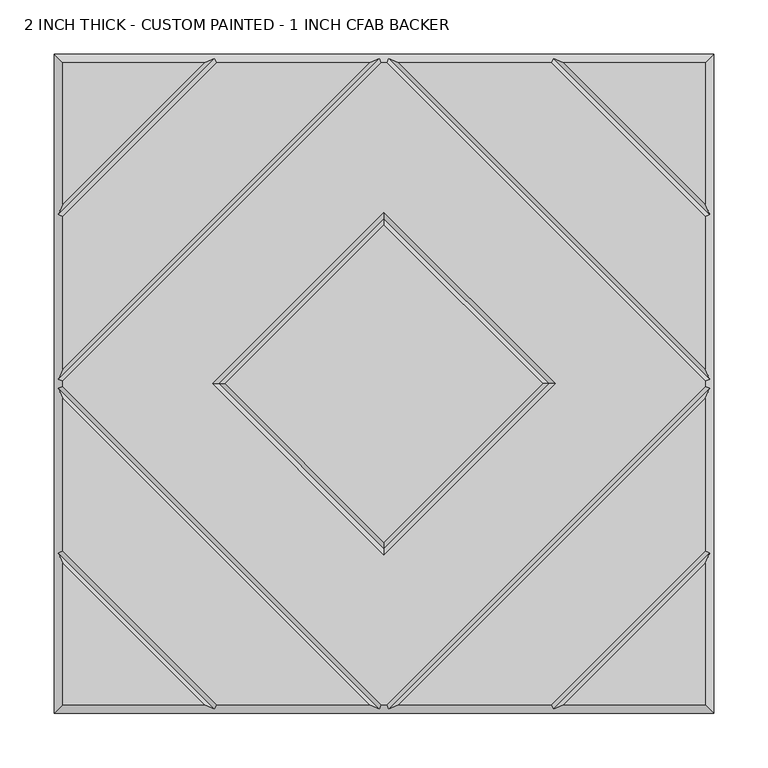
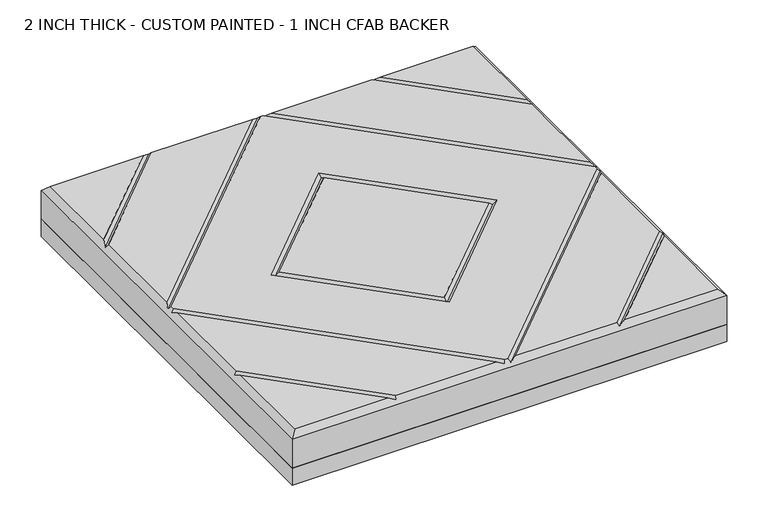
"""IFC4 building model written with IfcOpenShell, lengths in millimetres: proxy geometry, 2 INCH THICK - CUSTOM PAINTED - 1 INCH CFAB BACKER."""

from ifc_helpers import new_model, si_unit, frame, origin, place, context, project, spatial, polyline, outline, extrude, faceted_brep, source, transform, mapped, element, save


def proxy_2_inch_thick_custom_painted_1_inch_cfab_backer_736dc661(model_context):
    return source(origin(), model_context, "Body", "SolidModel", [
        extrude(outline(polyline([(-304.8, 304.8), (304.8, 304.8), (304.8, -304.8), (-304.8, -304.8), (-304.8, 304.8)])), frame((0.0, 0.0, -25.4), z_axis=(0.0, 0.0, 1.0), x_axis=(1.0, 0.0, 0.0)), (0.0, 0.0, 1.0), 25.4),
        faceted_brep([(296.799, 166.0585868, 50.8), (296.799, 296.799, 50.8), (166.0585868, 296.799, 50.8), (-166.0585868, 296.799, 50.8), (-296.799, 296.799, 50.8), (-296.799, 166.0585868, 50.8), (-2.3434382, -296.799, 50.8), (2.3434382, -296.799, 50.8), (296.799, -2.3434137, 50.8), (296.799, 2.3434632, 50.8), (2.3434141, 296.799, 50.8), (-2.343464, 296.799, 50.8), (-296.799, 2.343464, 50.8), (-296.799, -2.3434137, 50.8), (-158.0575614, 2.54e-05, 50.8), (0.0, 158.0575868, 50.8), (158.0575614, 2.54e-05, 50.8), (0.0, -158.057536, 50.8), (-296.799, -296.799, 50.8), (-166.0590079, -296.799, 50.8), (-296.799, -166.0585721, 50.8), (166.0590079, -296.799, 50.8), (296.799, -296.799, 50.8), (296.799, -166.0585721, 50.8), (-154.743464, 296.799, 50.8), (-296.799, 154.743464, 50.8), (-296.799, 13.6585868, 50.8), (-13.6585868, 296.799, 50.8), (-13.6585605, -296.799, 50.8), (-296.799, -13.6585369, 50.8), (-296.799, -154.7434305, 50.8), (-154.743904, -296.799, 50.8), (296.799, -13.6585369, 50.8), (13.6585605, -296.799, 50.8), (154.743904, -296.799, 50.8), (296.799, -154.7434305, 50.8), (13.6585378, 296.799, 50.8), (296.799, 13.658585, 50.8), (296.799, 154.743464, 50.8), (154.743464, 296.799, 50.8), (0.0, 146.742464, 50.8), (-146.7424386, 2.54e-05, 50.8), (0.0, -146.7424132, 50.8), (146.7424386, 2.54e-05, 50.8), (-304.8, 304.8, 0.0), (304.8, 304.8, 0.0), (304.8, -304.8, 0.0), (-304.8, -304.8, 0.0), (-304.8, -304.8, 42.799), (-304.8, 304.8, 42.799), (304.8, -304.8, 42.799), (304.8, 304.8, 42.799), (-156.4005254, 300.7995, 46.7995), (-4.0005254, 300.7995, 46.7995), (4.0004753, 300.7995, 46.7995), (156.4005254, 300.7995, 46.7995), (-300.7995, -156.4004879, 46.7995), (-300.7995, -4.0004749, 46.7995), (-300.7995, 4.0005254, 46.7995), (-300.7995, 156.4005254, 46.7995), (156.4009693, -300.7995, 46.7995), (4.0004997, -300.7995, 46.7995), (-4.0004997, -300.7995, 46.7995), (-156.4009693, -300.7995, 46.7995), (300.7995, 156.4005254, 46.7995), (300.7995, 4.0005247, 46.7995), (300.7995, -4.0004749, 46.7995), (300.7995, -156.4004879, 46.7995), (0.0, 152.4000254, 46.7995), (-152.4, 2.54e-05, 46.7995), (0.0, -152.3999746, 46.7995), (152.4, 2.54e-05, 46.7995)], [[[0, 1, 2]], [[3, 4, 5]], [[6, 7, 8, 9, 10, 11, 12, 13], [14, 15, 16, 17]], [[18, 19, 20]], [[21, 22, 23]], [[24, 25, 26, 27]], [[28, 29, 30, 31]], [[32, 33, 34, 35]], [[36, 37, 38, 39]], [[40, 41, 42, 43]], [[44, 45, 46, 47]], [[44, 47, 48, 49]], [[47, 46, 50, 48]], [[46, 45, 51, 50]], [[45, 44, 49, 51]], [[49, 4, 3, 52, 24, 27, 53, 11, 10, 54, 36, 39, 55, 2, 1, 51]], [[4, 49, 48, 18, 20, 56, 30, 29, 57, 13, 12, 58, 26, 25, 59, 5]], [[18, 48, 50, 22, 21, 60, 34, 33, 61, 7, 6, 62, 28, 31, 63, 19]], [[51, 1, 0, 64, 38, 37, 65, 9, 8, 66, 32, 35, 67, 23, 22, 50]], [[52, 59, 25, 24]], [[59, 52, 3, 5]], [[53, 58, 12, 11]], [[58, 53, 27, 26]], [[57, 62, 6, 13]], [[62, 57, 29, 28]], [[61, 66, 8, 7]], [[66, 61, 33, 32]], [[65, 54, 10, 9]], [[54, 65, 37, 36]], [[68, 69, 41, 40]], [[69, 68, 15, 14]], [[41, 69, 70, 42]], [[69, 14, 17, 70]], [[42, 70, 71, 43]], [[70, 17, 16, 71]], [[68, 40, 43, 71]], [[15, 68, 71, 16]], [[56, 63, 31, 30]], [[63, 56, 20, 19]], [[67, 60, 21, 23]], [[60, 67, 35, 34]], [[55, 64, 0, 2]], [[64, 55, 39, 38]]]),
    ])


if __name__ == "__main__":
    model = new_model("IFC4")
    model_context = context("Model", 3, world=origin())
    ifc_project = project(units=[si_unit("LENGTHUNIT", "METRE", prefix="MILLI")], contexts=[model_context])
    site = spatial("IfcSite", under=ifc_project)
    building = spatial("IfcBuilding", under=site)
    placement = place(None, origin())
    proxy_2_inch_thick_custom_painted_1_inch_cfab_backer_shape = proxy_2_inch_thick_custom_painted_1_inch_cfab_backer_736dc661(model_context)
    element("IfcBuildingElementProxy", 1, Name="2 INCH THICK - CUSTOM PAINTED - 1 INCH CFAB BACKER", ObjectType="2 INCH THICK - CUSTOM PAINTED - 1 INCH CFAB BACKER", at=placement, inside=building, context=model_context, shape_type="MappedRepresentation", body=[
        mapped(proxy_2_inch_thick_custom_painted_1_inch_cfab_backer_shape, transform((0.0, 0.0, 0.0), x_axis=(1.0, 0.0, 0.0), y_axis=(0.0, 1.0, 0.0), z_axis=(0.0, 0.0, 1.0))),
    ])
    save(model, "model.ifc")
